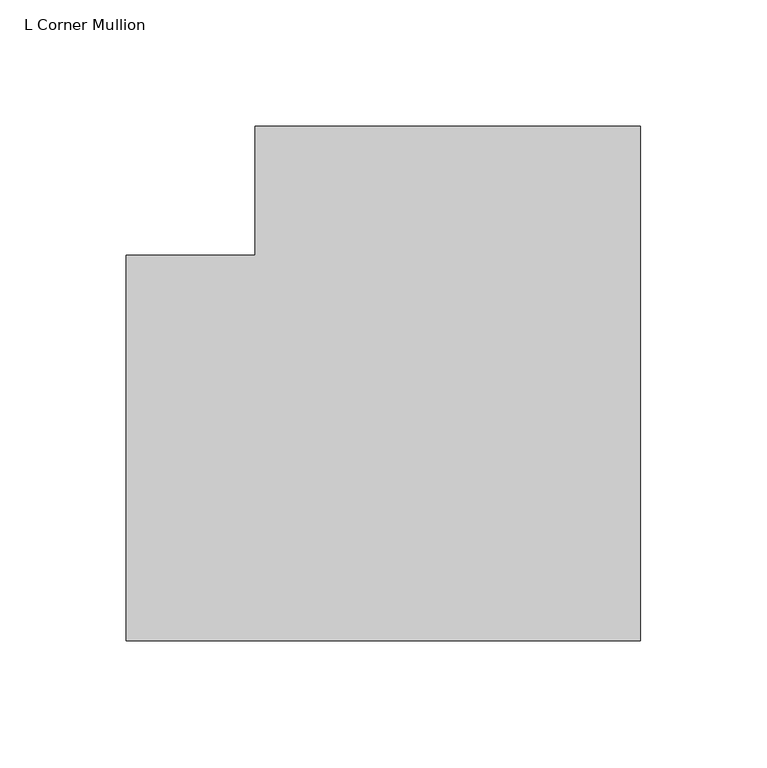
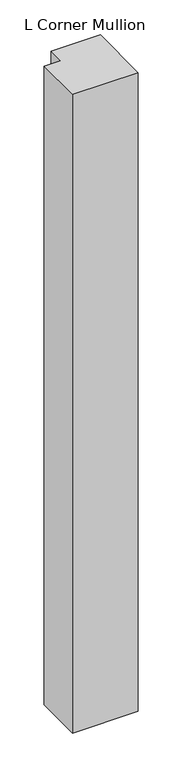
"""IFC4 building model written with IfcOpenShell, lengths in millimetres: member geometry, L Corner Mullion."""

from ifc_helpers import new_model, si_unit, frame, origin, place, context, project, spatial, polyline, outline, extrude, source, transform, mapped, element, save


def l_corner_mullion_e2c446d8(model_context):
    return source(origin(), model_context, "Body", "SweptSolid", [
        extrude(outline(polyline([(139.7, 63.5), (139.7, -139.7), (-63.5, -139.7), (-63.5, 12.7), (-12.7, 12.7), (-12.7, 63.5), (139.7, 63.5)])), frame((0.0, 0.0, -2092.325), z_axis=(0.0, 0.0, 1.0), x_axis=(1.0, 0.0, 0.0)), (0.0, 0.0, 1.0), 2092.325),
    ])


if __name__ == "__main__":
    model = new_model("IFC4")
    model_context = context("Model", 3, world=origin())
    ifc_project = project(units=[si_unit("LENGTHUNIT", "METRE", prefix="MILLI")], contexts=[model_context])
    site = spatial("IfcSite", under=ifc_project)
    building = spatial("IfcBuilding", under=site)
    placement = place(None, origin())
    l_corner_mullion_shape = l_corner_mullion_e2c446d8(model_context)
    element("IfcMember", 1, ObjectType="L Corner Mullion", at=placement, inside=building, context=model_context, shape_type="MappedRepresentation", body=[
        mapped(l_corner_mullion_shape, transform((0.0, 0.0, 0.0), x_axis=(1.0, 0.0, 0.0), y_axis=(0.0, 1.0, 0.0), z_axis=(0.0, 0.0, 1.0))),
    ])
    save(model, "model.ifc")
